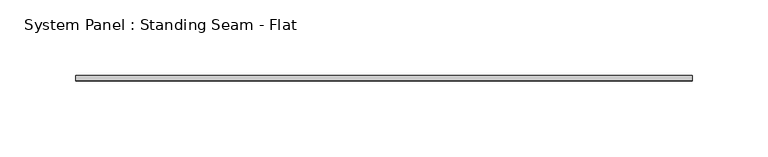
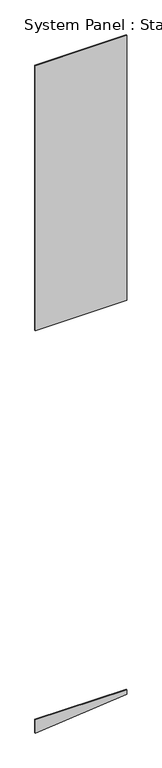
"""IFC4 building model written with IfcOpenShell, lengths in millimetres: plate geometry, System Panel : Standing Seam - Flat."""

from ifc_helpers import new_model, si_unit, frame, origin, place, context, project, spatial, polyline, outline, extrude, source, transform, mapped, element, save


def system_panel_standing_seam_flat_f121ad24(model_context):
    return source(origin(), model_context, "Body", "SweptSolid", [
        extrude(outline(polyline([(0.0, -203.2), (41.2973855, 203.2), (62.3770002, 203.2), (62.3770002, -203.2), (0.0, -203.2)])), frame((0.0, -1.5875, 0.0), z_axis=(0.0, 1.0, 0.0), x_axis=(0.0, 0.0, 1.0)), (0.0, 0.0, 1.0), 3.175),
        extrude(outline(polyline([(203.2, -1.5875), (-203.2, -1.5875), (-203.2, 1.5875), (203.2, 1.5875), (203.2, -1.5875)])), frame((0.0, 0.0, 1891.1770002), z_axis=(0.0, 0.0, 1.0), x_axis=(1.0, 0.0, 0.0)), (0.0, 0.0, 1.0), 1244.6),
    ])


if __name__ == "__main__":
    model = new_model("IFC4")
    model_context = context("Model", 3, world=origin())
    ifc_project = project(units=[si_unit("LENGTHUNIT", "METRE", prefix="MILLI")], contexts=[model_context])
    site = spatial("IfcSite", under=ifc_project)
    building = spatial("IfcBuilding", under=site)
    placement = place(None, origin())
    system_panel_standing_seam_flat_shape = system_panel_standing_seam_flat_f121ad24(model_context)
    element("IfcPlate", 1, ObjectType="System Panel : Standing Seam - Flat", at=placement, inside=building, context=model_context, shape_type="MappedRepresentation", body=[
        mapped(system_panel_standing_seam_flat_shape, transform((0.0, 0.0, 0.0), x_axis=(1.0, 0.0, 0.0), y_axis=(0.0, 1.0, 0.0), z_axis=(0.0, 0.0, 1.0))),
    ])
    save(model, "model.ifc")
